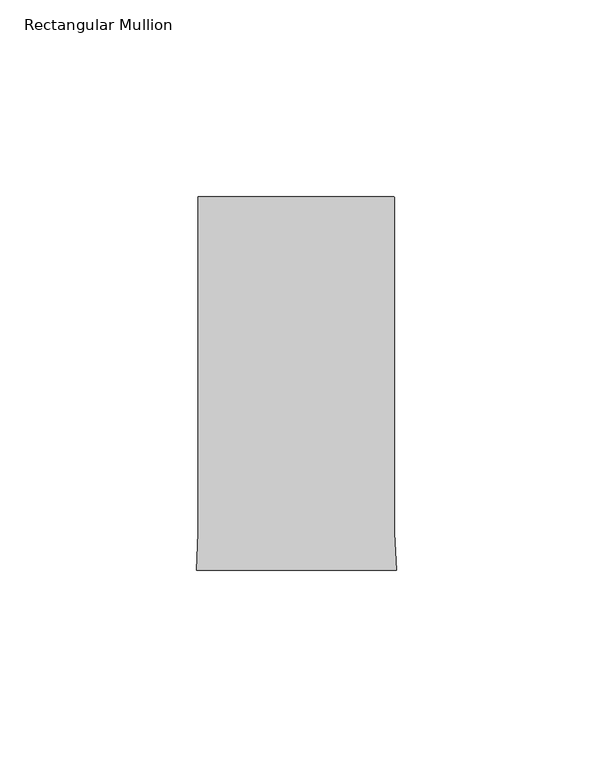
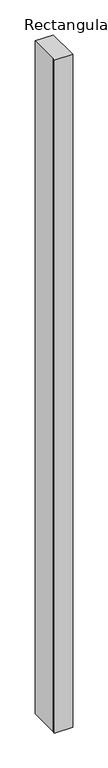
"""IFC4 building model written with IfcOpenShell, lengths in millimetres: member geometry, Rectangular Mullion."""

import ifcopenshell
import ifcopenshell.guid

model = None  # the IFC model being written
_history = None  # IfcOwnerHistory: only IFC2X3 demands one
_inside = {}  # id of a spatial element -> (the spatial element, [elements in it])
_under = {}  # id of a project, library or spatial element -> (it, [spatial elements below it])
_declared = {}  # id of a project -> (the project, [libraries it declares])
_typed = {}  # id of a type object -> (the type object, [elements of that type])
_made_of = {}  # id of a material, layer set ... -> (it, [elements and type objects made of it])


def new_model(schema):
    """Start an empty IFC model of exactly this schema.

    Asked for "IFC4X3", IfcOpenShell would pick the latest addendum, in which some entities
    have other attributes; the version numbers below select the first issue.
    IFC2X3 requires an IfcOwnerHistory on every rooted entity: one is made here for all.
    """
    global model, _history
    if schema == "IFC4X3":
        model = ifcopenshell.file(schema_version=(4, 3, 0, 0))
    else:
        model = ifcopenshell.file(schema=schema)
    _inside.clear()
    _under.clear()
    _declared.clear()
    _typed.clear()
    _made_of.clear()
    _history = None
    if model.schema == "IFC2X3":
        org = make("IfcOrganization", Name="unknown")
        user = make(
            "IfcPersonAndOrganization",
            ThePerson=make("IfcPerson", FamilyName="unknown"),
            TheOrganization=org,
        )
        app = make(
            "IfcApplication",
            ApplicationDeveloper=org,
            Version="unknown",
            ApplicationFullName="unknown",
            ApplicationIdentifier="unknown",
        )
        _history = make(
            "IfcOwnerHistory",
            OwningUser=user,
            OwningApplication=app,
            ChangeAction="ADDED",
            CreationDate=0,
        )
    return model


def make(cls, **values):
    """One entity of the class cls with the attributes given. An attribute that is None is left unset."""
    return model.create_entity(
        cls, **{name: value for name, value in values.items() if value is not None}
    )


def rooted(cls, **values):
    """An entity with a GlobalId (a new one), such as an element, a storey or a relation."""
    return make(cls, GlobalId=ifcopenshell.guid.new(), OwnerHistory=_history, **values)


def si_unit(unit_type, name, prefix=None):
    """IfcSIUnit, for example si_unit("LENGTHUNIT", "METRE", prefix="MILLI")."""
    return make("IfcSIUnit", UnitType=unit_type, Prefix=prefix, Name=name)


def assignment(units):
    """IfcUnitAssignment: the units of a project."""
    return None if units is None else make("IfcUnitAssignment", Units=units)


def point(xyz):
    """IfcCartesianPoint."""
    return None if xyz is None else make("IfcCartesianPoint", Coordinates=xyz)


def direction(xyz):
    """IfcDirection."""
    return None if xyz is None else make("IfcDirection", DirectionRatios=xyz)


def frame(location, z_axis=None, x_axis=None):
    """IfcAxis2Placement3D, a coordinate frame: its origin and axes. An axis left out is left unset."""
    return make(
        "IfcAxis2Placement3D",
        Location=point(location),
        Axis=direction(z_axis),
        RefDirection=direction(x_axis),
    )


def frame_2d(location, x_axis=None):
    """IfcAxis2Placement2D, a coordinate frame in the plane: its origin and x axis."""
    return make(
        "IfcAxis2Placement2D", Location=point(location), RefDirection=direction(x_axis)
    )


def origin():
    """The frame at (0, 0, 0) with its axes left unset."""
    return frame((0.0, 0.0, 0.0))


def place(relative_to, where):
    """IfcLocalPlacement: puts the frame where relative to a parent placement (None: the world)."""
    return make(
        "IfcLocalPlacement", PlacementRelTo=relative_to, RelativePlacement=where
    )


def context(
    kind, dimensions, precision=None, world=None, true_north=None, identifier=None
):
    """IfcGeometricRepresentationContext, for example the 3D "Model" context."""
    return make(
        "IfcGeometricRepresentationContext",
        ContextIdentifier=identifier,
        ContextType=kind,
        CoordinateSpaceDimension=dimensions,
        Precision=precision,
        WorldCoordinateSystem=world,
        TrueNorth=true_north,
    )


def project(units=None, contexts=None):
    """IfcProject with its units and contexts."""
    return rooted(
        "IfcProject",
        Name="project",
        RepresentationContexts=contexts,
        UnitsInContext=assignment(units),
    )


def spatial(cls, under=None, at=None, **own):
    """A site, building, storey or space (cls), placed at a placement, below another one or the project."""
    s = rooted(cls, ObjectPlacement=at, **own)
    if under is not None:
        _under.setdefault(under.id(), (under, []))[1].append(s)
    return s


def polyline(points):
    """IfcPolyline through the points."""
    return make("IfcPolyline", Points=[point(p) for p in points])


def circle_curve(where, radius):
    """IfcCircle in the frame where."""
    return make("IfcCircle", Position=where, Radius=radius)


def trimmed(basis, trim1, trim2, sense, master):
    """IfcTrimmedCurve: the piece of a basis curve between two trims."""
    return make(
        "IfcTrimmedCurve",
        BasisCurve=basis,
        Trim1=trim1,
        Trim2=trim2,
        SenseAgreement=sense,
        MasterRepresentation=master,
    )


def segment(curve, same_sense, transition):
    """IfcCompositeCurveSegment."""
    return make(
        "IfcCompositeCurveSegment",
        Transition=transition,
        SameSense=same_sense,
        ParentCurve=curve,
    )


def composite_curve(segments, self_intersect=None):
    """IfcCompositeCurve: segments joined end to end."""
    return make("IfcCompositeCurve", Segments=segments, SelfIntersect=self_intersect)


def outline(outer, holes=None, kind="AREA"):
    """IfcArbitraryClosedProfileDef: a profile drawn as a closed curve; with holes, ...WithVoids."""
    if holes is None:
        return make("IfcArbitraryClosedProfileDef", ProfileType=kind, OuterCurve=outer)
    return make(
        "IfcArbitraryProfileDefWithVoids",
        ProfileType=kind,
        OuterCurve=outer,
        InnerCurves=holes,
    )


def extrude(swept, where, along, depth):
    """IfcExtrudedAreaSolid: the profile swept, set in the frame where, extruded along a direction by depth."""
    return make(
        "IfcExtrudedAreaSolid",
        SweptArea=swept,
        Position=where,
        ExtrudedDirection=direction(along),
        Depth=depth,
    )


def shape(context_of_items, identifier, shape_type, items):
    """IfcShapeRepresentation: the items that make up one representation, for example the "Body"."""
    return make(
        "IfcShapeRepresentation",
        ContextOfItems=context_of_items,
        RepresentationIdentifier=identifier,
        RepresentationType=shape_type,
        Items=items,
    )


def source(mapping_origin, context_of_items, identifier, shape_type, items):
    """IfcRepresentationMap: a shape defined once, which mapped items show again and again."""
    return make(
        "IfcRepresentationMap",
        MappingOrigin=mapping_origin,
        MappedRepresentation=shape(context_of_items, identifier, shape_type, items),
    )


def transform(
    local_origin,
    x_axis=None,
    y_axis=None,
    z_axis=None,
    scale=None,
    scale2=None,
    scale3=None,
    uniform=True,
):
    """IfcCartesianTransformationOperator3D, or its non-uniform kind. x_axis, y_axis, z_axis: its Axis1, 2, 3."""
    if uniform:
        return make(
            "IfcCartesianTransformationOperator3D",
            Axis1=direction(x_axis),
            Axis2=direction(y_axis),
            LocalOrigin=point(local_origin),
            Scale=scale,
            Axis3=direction(z_axis),
        )
    return make(
        "IfcCartesianTransformationOperator3DnonUniform",
        Axis1=direction(x_axis),
        Axis2=direction(y_axis),
        LocalOrigin=point(local_origin),
        Scale=scale,
        Axis3=direction(z_axis),
        Scale2=scale2,
        Scale3=scale3,
    )


def mapped(mapping_source, mapping_target):
    """IfcMappedItem: shows the shape of a source again, moved by a transform."""
    return make(
        "IfcMappedItem", MappingSource=mapping_source, MappingTarget=mapping_target
    )


def made_of(thing, what):
    """Note that an element or type object is made of a material, layer set ...; save() writes the relation."""
    if what is not None:
        _made_of.setdefault(what.id(), (what, []))[1].append(thing)
    return thing


def element(
    cls,
    number,
    at=None,
    inside=None,
    cuts=None,
    type_object=None,
    material=None,
    context=None,
    identifier="Body",
    shape_type=None,
    held_by="IfcProductDefinitionShape",
    body=None,
    shapes=None,
    **own,
):
    """One element of the class cls, such as IfcWall. Its Tag is "e" and its number.

    at: its placement. inside: the storey or other place that contains it. cuts: it is an
    opening in that element (IfcRelVoidsElement). A single representation is given by context,
    identifier, shape_type and body (its items); several are given by shapes. held_by: the class
    of the entity that holds the representations. save() writes the other relations.
    """
    e = rooted(cls, Tag="e%d" % number, ObjectPlacement=at, **own)
    if body is not None:
        shapes = [shape(context, identifier, shape_type, body)]
    if shapes is not None:
        e.Representation = make(held_by, Representations=shapes)
    if inside is not None:
        _inside.setdefault(inside.id(), (inside, []))[1].append(e)
    if cuts is not None:
        rooted(
            "IfcRelVoidsElement", RelatingBuildingElement=cuts, RelatedOpeningElement=e
        )
    if type_object is not None:
        _typed.setdefault(type_object.id(), (type_object, []))[1].append(e)
    return made_of(e, material)


def aggregate(whole, parts):
    """IfcRelAggregates: a whole, such as a stair, and the parts it consists of."""
    return rooted("IfcRelAggregates", RelatingObject=whole, RelatedObjects=parts)


def save(model, path):
    """Write the relations noted so far, then the file.

    IfcRelAggregates (storeys below a building ...), IfcRelContainedInSpatialStructure (elements
    in a storey), IfcRelDefinesByType, IfcRelAssociatesMaterial and IfcRelDeclares: one each for
    every whole, place, type object, material and project.
    """
    for whole, parts in _under.values():
        aggregate(whole, parts)
    for where, things in _inside.values():
        rooted(
            "IfcRelContainedInSpatialStructure",
            RelatedElements=things,
            RelatingStructure=where,
        )
    for kind, things in _typed.values():
        rooted("IfcRelDefinesByType", RelatedObjects=things, RelatingType=kind)
    for what, things in _made_of.values():
        rooted("IfcRelAssociatesMaterial", RelatedObjects=things, RelatingMaterial=what)
    for by, libraries in _declared.values():
        rooted("IfcRelDeclares", RelatingContext=by, RelatedDefinitions=libraries)
    model.write(path)


def rectangular_mullion_ac68567d(model_context):
    return source(origin(), model_context, "Body", "SweptSolid", [
        extrude(outline(composite_curve([segment(polyline([(-25.0000004, 108.995434), (24.4999996, 108.995434)]), True, "CONTINUOUS"), segment(trimmed(circle_curve(frame_2d((24.4999996, 108.495434)), 0.5), [point((24.4999996, 108.995434))], [point((24.9999996, 108.495434))], False, "CARTESIAN"), True, "CONTINUOUS"), segment(polyline([(24.9999996, 108.495434), (24.9999996, 23.4857005), (25.4480462, 14.0), (-25.448047, 14.0), (-25.0000004, 23.4857005), (-25.0000004, 108.995434)]), True, "CONTINUOUS")], self_intersect=False)), frame((0.0, 0.0, -1991.3982976), z_axis=(0.0, 0.0, 1.0), x_axis=(1.0, 0.0, 0.0)), (0.0, 0.0, 1.0), 1991.3982976),
    ])


if __name__ == "__main__":
    model = new_model("IFC4")
    model_context = context("Model", 3, world=origin())
    ifc_project = project(units=[si_unit("LENGTHUNIT", "METRE", prefix="MILLI")], contexts=[model_context])
    site = spatial("IfcSite", under=ifc_project)
    building = spatial("IfcBuilding", under=site)
    placement = place(None, origin())
    rectangular_mullion_shape = rectangular_mullion_ac68567d(model_context)
    element("IfcMember", 1, ObjectType="Rectangular Mullion", at=placement, inside=building, context=model_context, shape_type="MappedRepresentation", body=[
        mapped(rectangular_mullion_shape, transform((0.0, 0.0, 0.0), x_axis=(1.0, 0.0, 0.0), y_axis=(0.0, 1.0, 0.0), z_axis=(0.0, 0.0, 1.0))),
    ])
    save(model, "model.ifc")
